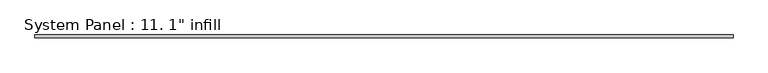
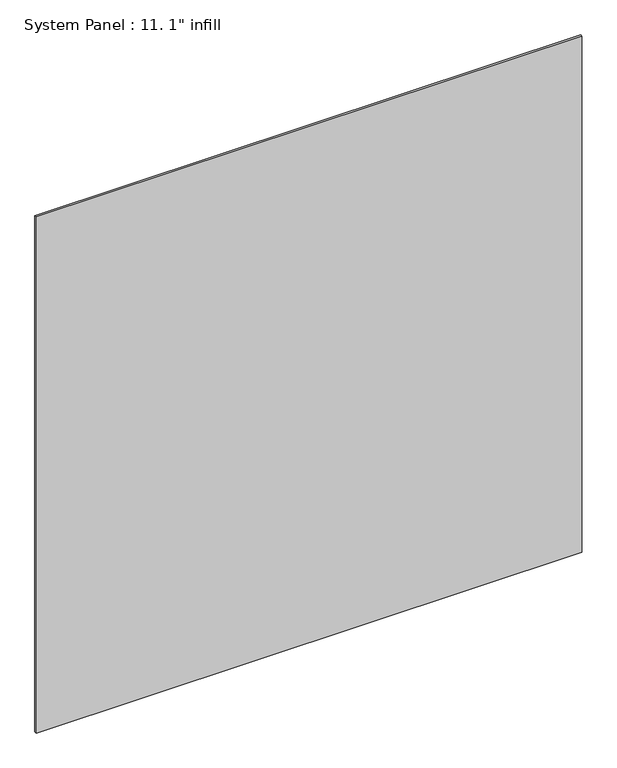
"""IFC4 building model written with IfcOpenShell, lengths in millimetres: plate geometry."""

import ifcopenshell
import ifcopenshell.guid

model = None  # the IFC model being written
_history = None  # IfcOwnerHistory: only IFC2X3 demands one
_inside = {}  # id of a spatial element -> (the spatial element, [elements in it])
_under = {}  # id of a project, library or spatial element -> (it, [spatial elements below it])
_declared = {}  # id of a project -> (the project, [libraries it declares])
_typed = {}  # id of a type object -> (the type object, [elements of that type])
_made_of = {}  # id of a material, layer set ... -> (it, [elements and type objects made of it])


def new_model(schema):
    """Start an empty IFC model of exactly this schema.

    Asked for "IFC4X3", IfcOpenShell would pick the latest addendum, in which some entities
    have other attributes; the version numbers below select the first issue.
    IFC2X3 requires an IfcOwnerHistory on every rooted entity: one is made here for all.
    """
    global model, _history
    if schema == "IFC4X3":
        model = ifcopenshell.file(schema_version=(4, 3, 0, 0))
    else:
        model = ifcopenshell.file(schema=schema)
    _inside.clear()
    _under.clear()
    _declared.clear()
    _typed.clear()
    _made_of.clear()
    _history = None
    if model.schema == "IFC2X3":
        org = make("IfcOrganization", Name="unknown")
        user = make(
            "IfcPersonAndOrganization",
            ThePerson=make("IfcPerson", FamilyName="unknown"),
            TheOrganization=org,
        )
        app = make(
            "IfcApplication",
            ApplicationDeveloper=org,
            Version="unknown",
            ApplicationFullName="unknown",
            ApplicationIdentifier="unknown",
        )
        _history = make(
            "IfcOwnerHistory",
            OwningUser=user,
            OwningApplication=app,
            ChangeAction="ADDED",
            CreationDate=0,
        )
    return model


def make(cls, **values):
    """One entity of the class cls with the attributes given. An attribute that is None is left unset."""
    return model.create_entity(
        cls, **{name: value for name, value in values.items() if value is not None}
    )


def rooted(cls, **values):
    """An entity with a GlobalId (a new one), such as an element, a storey or a relation."""
    return make(cls, GlobalId=ifcopenshell.guid.new(), OwnerHistory=_history, **values)


def si_unit(unit_type, name, prefix=None):
    """IfcSIUnit, for example si_unit("LENGTHUNIT", "METRE", prefix="MILLI")."""
    return make("IfcSIUnit", UnitType=unit_type, Prefix=prefix, Name=name)


def assignment(units):
    """IfcUnitAssignment: the units of a project."""
    return None if units is None else make("IfcUnitAssignment", Units=units)


def point(xyz):
    """IfcCartesianPoint."""
    return None if xyz is None else make("IfcCartesianPoint", Coordinates=xyz)


def direction(xyz):
    """IfcDirection."""
    return None if xyz is None else make("IfcDirection", DirectionRatios=xyz)


def frame(location, z_axis=None, x_axis=None):
    """IfcAxis2Placement3D, a coordinate frame: its origin and axes. An axis left out is left unset."""
    return make(
        "IfcAxis2Placement3D",
        Location=point(location),
        Axis=direction(z_axis),
        RefDirection=direction(x_axis),
    )


def origin():
    """The frame at (0, 0, 0) with its axes left unset."""
    return frame((0.0, 0.0, 0.0))


def origin_with_axes():
    """The frame at (0, 0, 0) with the z axis (0, 0, 1) and the x axis (1, 0, 0) written out."""
    return frame((0.0, 0.0, 0.0), z_axis=(0.0, 0.0, 1.0), x_axis=(1.0, 0.0, 0.0))


def place(relative_to, where):
    """IfcLocalPlacement: puts the frame where relative to a parent placement (None: the world)."""
    return make(
        "IfcLocalPlacement", PlacementRelTo=relative_to, RelativePlacement=where
    )


def context(
    kind, dimensions, precision=None, world=None, true_north=None, identifier=None
):
    """IfcGeometricRepresentationContext, for example the 3D "Model" context."""
    return make(
        "IfcGeometricRepresentationContext",
        ContextIdentifier=identifier,
        ContextType=kind,
        CoordinateSpaceDimension=dimensions,
        Precision=precision,
        WorldCoordinateSystem=world,
        TrueNorth=true_north,
    )


def project(units=None, contexts=None):
    """IfcProject with its units and contexts."""
    return rooted(
        "IfcProject",
        Name="project",
        RepresentationContexts=contexts,
        UnitsInContext=assignment(units),
    )


def spatial(cls, under=None, at=None, **own):
    """A site, building, storey or space (cls), placed at a placement, below another one or the project."""
    s = rooted(cls, ObjectPlacement=at, **own)
    if under is not None:
        _under.setdefault(under.id(), (under, []))[1].append(s)
    return s


def polyline(points):
    """IfcPolyline through the points."""
    return make("IfcPolyline", Points=[point(p) for p in points])


def outline(outer, holes=None, kind="AREA"):
    """IfcArbitraryClosedProfileDef: a profile drawn as a closed curve; with holes, ...WithVoids."""
    if holes is None:
        return make("IfcArbitraryClosedProfileDef", ProfileType=kind, OuterCurve=outer)
    return make(
        "IfcArbitraryProfileDefWithVoids",
        ProfileType=kind,
        OuterCurve=outer,
        InnerCurves=holes,
    )


def extrude(swept, where, along, depth):
    """IfcExtrudedAreaSolid: the profile swept, set in the frame where, extruded along a direction by depth."""
    return make(
        "IfcExtrudedAreaSolid",
        SweptArea=swept,
        Position=where,
        ExtrudedDirection=direction(along),
        Depth=depth,
    )


def shape(context_of_items, identifier, shape_type, items):
    """IfcShapeRepresentation: the items that make up one representation, for example the "Body"."""
    return make(
        "IfcShapeRepresentation",
        ContextOfItems=context_of_items,
        RepresentationIdentifier=identifier,
        RepresentationType=shape_type,
        Items=items,
    )


def source(mapping_origin, context_of_items, identifier, shape_type, items):
    """IfcRepresentationMap: a shape defined once, which mapped items show again and again."""
    return make(
        "IfcRepresentationMap",
        MappingOrigin=mapping_origin,
        MappedRepresentation=shape(context_of_items, identifier, shape_type, items),
    )


def transform(
    local_origin,
    x_axis=None,
    y_axis=None,
    z_axis=None,
    scale=None,
    scale2=None,
    scale3=None,
    uniform=True,
):
    """IfcCartesianTransformationOperator3D, or its non-uniform kind. x_axis, y_axis, z_axis: its Axis1, 2, 3."""
    if uniform:
        return make(
            "IfcCartesianTransformationOperator3D",
            Axis1=direction(x_axis),
            Axis2=direction(y_axis),
            LocalOrigin=point(local_origin),
            Scale=scale,
            Axis3=direction(z_axis),
        )
    return make(
        "IfcCartesianTransformationOperator3DnonUniform",
        Axis1=direction(x_axis),
        Axis2=direction(y_axis),
        LocalOrigin=point(local_origin),
        Scale=scale,
        Axis3=direction(z_axis),
        Scale2=scale2,
        Scale3=scale3,
    )


def mapped(mapping_source, mapping_target):
    """IfcMappedItem: shows the shape of a source again, moved by a transform."""
    return make(
        "IfcMappedItem", MappingSource=mapping_source, MappingTarget=mapping_target
    )


def made_of(thing, what):
    """Note that an element or type object is made of a material, layer set ...; save() writes the relation."""
    if what is not None:
        _made_of.setdefault(what.id(), (what, []))[1].append(thing)
    return thing


def element(
    cls,
    number,
    at=None,
    inside=None,
    cuts=None,
    type_object=None,
    material=None,
    context=None,
    identifier="Body",
    shape_type=None,
    held_by="IfcProductDefinitionShape",
    body=None,
    shapes=None,
    **own,
):
    """One element of the class cls, such as IfcWall. Its Tag is "e" and its number.

    at: its placement. inside: the storey or other place that contains it. cuts: it is an
    opening in that element (IfcRelVoidsElement). A single representation is given by context,
    identifier, shape_type and body (its items); several are given by shapes. held_by: the class
    of the entity that holds the representations. save() writes the other relations.
    """
    e = rooted(cls, Tag="e%d" % number, ObjectPlacement=at, **own)
    if body is not None:
        shapes = [shape(context, identifier, shape_type, body)]
    if shapes is not None:
        e.Representation = make(held_by, Representations=shapes)
    if inside is not None:
        _inside.setdefault(inside.id(), (inside, []))[1].append(e)
    if cuts is not None:
        rooted(
            "IfcRelVoidsElement", RelatingBuildingElement=cuts, RelatedOpeningElement=e
        )
    if type_object is not None:
        _typed.setdefault(type_object.id(), (type_object, []))[1].append(e)
    return made_of(e, material)


def aggregate(whole, parts):
    """IfcRelAggregates: a whole, such as a stair, and the parts it consists of."""
    return rooted("IfcRelAggregates", RelatingObject=whole, RelatedObjects=parts)


def save(model, path):
    """Write the relations noted so far, then the file.

    IfcRelAggregates (storeys below a building ...), IfcRelContainedInSpatialStructure (elements
    in a storey), IfcRelDefinesByType, IfcRelAssociatesMaterial and IfcRelDeclares: one each for
    every whole, place, type object, material and project.
    """
    for whole, parts in _under.values():
        aggregate(whole, parts)
    for where, things in _inside.values():
        rooted(
            "IfcRelContainedInSpatialStructure",
            RelatedElements=things,
            RelatingStructure=where,
        )
    for kind, things in _typed.values():
        rooted("IfcRelDefinesByType", RelatedObjects=things, RelatingType=kind)
    for what, things in _made_of.values():
        rooted("IfcRelAssociatesMaterial", RelatedObjects=things, RelatingMaterial=what)
    for by, libraries in _declared.values():
        rooted("IfcRelDeclares", RelatingContext=by, RelatedDefinitions=libraries)
    model.write(path)


def plate_9e4bca45(model_context):
    return source(origin(), model_context, "Body", "SweptSolid", [
        extrude(outline(polyline([(2974.9684468, -12.7), (-2974.9684468, -12.7), (-2974.9684468, 12.7), (2974.9684468, 12.7), (2974.9684468, -12.7)])), origin_with_axes(), (0.0, 0.0, 1.0), 5949.9242843),
    ])


if __name__ == "__main__":
    model = new_model("IFC4")
    model_context = context("Model", 3, world=origin())
    ifc_project = project(units=[si_unit("LENGTHUNIT", "METRE", prefix="MILLI")], contexts=[model_context])
    site = spatial("IfcSite", under=ifc_project)
    building = spatial("IfcBuilding", under=site)
    placement = place(None, origin())
    plate_shape = plate_9e4bca45(model_context)
    element("IfcPlate", 1, ObjectType="System Panel : 11. 1\" infill", at=placement, inside=building, context=model_context, shape_type="MappedRepresentation", body=[
        mapped(plate_shape, transform((0.0, 0.0, 0.0), x_axis=(1.0, 0.0, 0.0), y_axis=(0.0, 1.0, 0.0), z_axis=(0.0, 0.0, 1.0))),
    ])
    save(model, "model.ifc")
